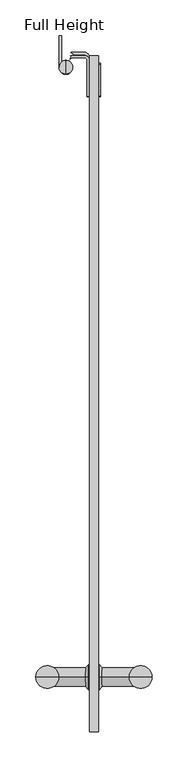
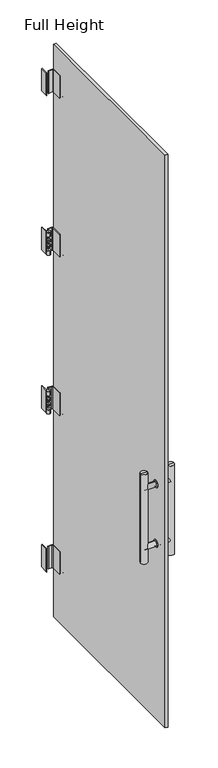
"""IFC4 building model written with IfcOpenShell, lengths in millimetres: plate geometry, Full Height."""

from ifc_helpers import new_model, si_unit, point, frame, frame_2d, origin, place, context, project, spatial, polyline, circle_curve, ellipse_curve, trimmed, segment, composite_curve, outline, extrude, source, transform, mapped, element, save
from ifc_brep_helpers import plane_surface, cylinder_surface, revolved_surface, advanced_brep


def full_height_b93a2087(model_context):
    return source(origin(), model_context, "Body", "SolidModel", [
        advanced_brep(
        [(-420.2684, -888.2634, 901.7), (-420.2684, -888.2634, 927.1), (-432.9684, -888.2634, 927.1), (-432.9684, -888.2634, 901.7), (-420.2684, -888.2634, 896.9), (-420.2684, -888.2634, 931.9), (-418.9984, -888.2634, 896.9), (-418.9984, -888.2634, 931.9), (-415.1884, -888.2634, 901.7), (-415.1884, -888.2634, 927.1), (-361.5309, -888.2634, 901.7), (-361.5309, -888.2634, 927.1), (-361.5309, -888.2634, 914.4), (-491.7059, -888.2634, 901.7), (-491.7059, -888.2634, 927.1), (-491.7059, -888.2634, 914.4), (-438.0484, -888.2634, 901.7), (-438.0484, -888.2634, 927.1), (-434.2384, -888.2634, 896.9), (-434.2384, -888.2634, 931.9), (-432.9684, -888.2634, 896.9), (-432.9684, -888.2634, 931.9)],
        [
            (0, 1, circle_curve(frame((-420.2684, -888.2634, 914.4), z_axis=(-1.0, 0.0, 0.0), x_axis=(0.0, 0.0, 1.0)), 12.7)),
            (1, 2),
            (2, 3, circle_curve(frame((-432.9684, -888.2634, 914.4), z_axis=(1.0, 0.0, 0.0), x_axis=(0.0, 0.0, 1.0)), 12.7)),
            (3, 0),
            (4, 5, circle_curve(frame((-420.2684, -888.2634, 914.4), z_axis=(-1.0, 0.0, 0.0), x_axis=(0.0, 0.0, 1.0)), 17.5)),
            (5, 1),
            (0, 4),
            (6, 7, circle_curve(frame((-418.9984, -888.2634, 914.4), z_axis=(-1.0, 0.0, 0.0), x_axis=(0.0, 0.0, 1.0)), 17.5)),
            (7, 5),
            (4, 6),
            (7, 6, circle_curve(frame((-418.9984, -888.2634, 914.4), z_axis=(-1.0, 0.0, 0.0), x_axis=(0.0, 0.0, 1.0)), 17.5)),
            (4, 5, circle_curve(frame((-420.2684, -888.2634, 914.4), z_axis=(1.0, 0.0, 0.0), x_axis=(0.0, 0.0, 1.0)), 17.5)),
            (8, 9, circle_curve(frame((-415.1884, -888.2634, 914.4), z_axis=(-1.0, 0.0, 0.0), x_axis=(0.0, 0.0, 1.0)), 12.7)),
            (9, 7),
            (6, 8),
            (9, 8, circle_curve(frame((-415.1884, -888.2634, 914.4), z_axis=(-1.0, 0.0, 0.0), x_axis=(0.0, 0.0, 1.0)), 12.7)),
            (10, 11, circle_curve(frame((-361.5309, -888.2634, 914.4), z_axis=(-1.0, 0.0, 0.0), x_axis=(0.0, 0.0, 1.0)), 12.7)),
            (11, 9),
            (8, 10),
            (11, 10, circle_curve(frame((-361.5309, -888.2634, 914.4), z_axis=(-1.0, 0.0, 0.0), x_axis=(0.0, 0.0, 1.0)), 12.7)),
            (12, 10),
            (11, 12),
            (13, 14, circle_curve(frame((-491.7059, -888.2634, 914.4), z_axis=(-1.0, 0.0, 0.0), x_axis=(0.0, 0.0, 1.0)), 12.7)),
            (14, 15),
            (15, 13),
            (14, 13, circle_curve(frame((-491.7059, -888.2634, 914.4), z_axis=(-1.0, 0.0, 0.0), x_axis=(0.0, 0.0, 1.0)), 12.7)),
            (16, 17, circle_curve(frame((-438.0484, -888.2634, 914.4), z_axis=(-1.0, 0.0, 0.0), x_axis=(0.0, 0.0, 1.0)), 12.7)),
            (17, 14),
            (13, 16),
            (17, 16, circle_curve(frame((-438.0484, -888.2634, 914.4), z_axis=(-1.0, 0.0, 0.0), x_axis=(0.0, 0.0, 1.0)), 12.7)),
            (18, 19, circle_curve(frame((-434.2384, -888.2634, 914.4), z_axis=(-1.0, 0.0, 0.0), x_axis=(0.0, 0.0, 1.0)), 17.5)),
            (19, 17),
            (16, 18),
            (19, 18, circle_curve(frame((-434.2384, -888.2634, 914.4), z_axis=(-1.0, 0.0, 0.0), x_axis=(0.0, 0.0, 1.0)), 17.5)),
            (20, 21, circle_curve(frame((-432.9684, -888.2634, 914.4), z_axis=(-1.0, 0.0, 0.0), x_axis=(0.0, 0.0, 1.0)), 17.5)),
            (21, 19),
            (18, 20),
            (21, 20, circle_curve(frame((-432.9684, -888.2634, 914.4), z_axis=(-1.0, 0.0, 0.0), x_axis=(0.0, 0.0, 1.0)), 17.5)),
            (2, 21),
            (20, 3),
            (2, 3, circle_curve(frame((-432.9684, -888.2634, 914.4), z_axis=(-1.0, 0.0, 0.0), x_axis=(0.0, 0.0, 1.0)), 12.7)),
            (1, 0, circle_curve(frame((-420.2684, -888.2634, 914.4), z_axis=(-1.0, 0.0, 0.0), x_axis=(0.0, 0.0, 1.0)), 12.7)),
        ],
        [
            cylinder_surface(frame((-361.5309, -888.2634, 914.4), z_axis=(1.0, 0.0, 0.0), x_axis=(0.0, 0.0, 1.0)), 12.7),
            plane_surface(frame((-420.2684, -888.2634, 914.4), z_axis=(-1.0, 0.0, 0.0), x_axis=(0.0, 0.0, 1.0))),
            cylinder_surface(frame((-361.5309, -888.2634, 914.4), z_axis=(1.0, 0.0, 0.0), x_axis=(0.0, 0.0, 1.0)), 17.5),
            revolved_surface(polyline([(-418.9984, -888.2634, 931.9), (-415.1884, -888.2634, 927.1)]), (-361.5309, -888.2634, 914.4), (1.0, 0.0, 0.0)),
            plane_surface(frame((-361.5309, -888.2634, 914.4), z_axis=(1.0, 0.0, 0.0), x_axis=(0.0, 0.0, 1.0))),
            plane_surface(frame((-491.7059, -888.2634, 914.4), z_axis=(-1.0, 0.0, 0.0), x_axis=(0.0, 0.0, 1.0))),
            revolved_surface(polyline([(-438.0484, -888.2634, 927.1), (-434.2384, -888.2634, 931.9)]), (-361.5309, -888.2634, 914.4), (1.0, 0.0, 0.0)),
            plane_surface(frame((-432.9684, -888.2634, 914.4), z_axis=(1.0, 0.0, 0.0), x_axis=(0.0, 0.0, 1.0))),
        ],
        [
            (0, [[1, 2, 3, 4]]),
            (1, [[5, 6, -1, 7]]),
            (2, [[8, 9, -5, 10]]),
            (2, [[11, -10, 12, -9]]),
            (3, [[13, 14, -8, 15]]),
            (3, [[16, -15, -11, -14]]),
            (0, [[17, 18, -13, 19]]),
            (0, [[20, -19, -16, -18]]),
            (4, [[21, -20, 22]]),
            (5, [[23, 24, 25]]),
            (5, [[26, -25, -24]]),
            (0, [[27, 28, -23, 29]]),
            (0, [[30, -29, -26, -28]]),
            (6, [[31, 32, -27, 33]]),
            (6, [[34, -33, -30, -32]]),
            (2, [[35, 36, -31, 37]]),
            (2, [[38, -37, -34, -36]]),
            (7, [[-3, 39, -35, 40]]),
            (7, [[41, -40, -38, -39]]),
            (0, [[42, -4, -41, -2]]),
            (1, [[-12, -7, -42, -6]]),
            (4, [[-22, -17, -21]]),
        ],
    ),
        advanced_brep(
        [(-361.5309, -888.2634, 1206.5), (-361.5309, -888.2634, 1231.9), (-361.5309, -888.2634, 1219.2), (-420.2684, -888.2634, 1231.9), (-420.2684, -888.2634, 1206.5), (-420.2684, -888.2634, 1201.7), (-420.2684, -888.2634, 1236.7), (-432.9684, -888.2634, 1201.7), (-432.9684, -888.2634, 1236.7), (-432.9684, -888.2634, 1231.9), (-432.9684, -888.2634, 1206.5), (-415.1884, -888.2634, 1231.9), (-415.1884, -888.2634, 1206.5), (-418.9984, -888.2634, 1236.7), (-418.9984, -888.2634, 1201.7), (-434.2384, -888.2634, 1236.7), (-434.2384, -888.2634, 1201.7), (-438.0484, -888.2634, 1231.9), (-438.0484, -888.2634, 1206.5), (-491.7059, -888.2634, 1231.9), (-491.7059, -888.2634, 1206.5), (-491.7059, -888.2634, 1219.2)],
        [
            (0, 1, circle_curve(frame((-361.5309, -888.2634, 1219.2), z_axis=(1.0, 0.0, 0.0), x_axis=(0.0, 0.0, -1.0)), 12.7)),
            (1, 2),
            (2, 0),
            (3, 4, circle_curve(frame((-420.2684, -888.2634, 1219.2), z_axis=(1.0, 0.0, 0.0), x_axis=(0.0, 0.0, -1.0)), 12.7)),
            (4, 5),
            (5, 6, circle_curve(frame((-420.2684, -888.2634, 1219.2), z_axis=(-1.0, 0.0, 0.0), x_axis=(0.0, 0.0, -1.0)), 17.5)),
            (6, 3),
            (7, 8, circle_curve(frame((-432.9684, -888.2634, 1219.2), z_axis=(1.0, 0.0, 0.0), x_axis=(0.0, 0.0, -1.0)), 17.5)),
            (8, 9),
            (9, 10, circle_curve(frame((-432.9684, -888.2634, 1219.2), z_axis=(-1.0, 0.0, 0.0), x_axis=(0.0, 0.0, -1.0)), 12.7)),
            (10, 7),
            (1, 0, circle_curve(frame((-361.5309, -888.2634, 1219.2), z_axis=(1.0, 0.0, 0.0), x_axis=(0.0, 0.0, -1.0)), 12.7)),
            (11, 12, circle_curve(frame((-415.1884, -888.2634, 1219.2), z_axis=(1.0, 0.0, 0.0), x_axis=(0.0, 0.0, -1.0)), 12.7)),
            (12, 0),
            (1, 11),
            (12, 11, circle_curve(frame((-415.1884, -888.2634, 1219.2), z_axis=(1.0, 0.0, 0.0), x_axis=(0.0, 0.0, -1.0)), 12.7)),
            (13, 14, circle_curve(frame((-418.9984, -888.2634, 1219.2), z_axis=(1.0, 0.0, 0.0), x_axis=(0.0, 0.0, -1.0)), 17.5)),
            (14, 12),
            (11, 13),
            (14, 13, circle_curve(frame((-418.9984, -888.2634, 1219.2), z_axis=(1.0, 0.0, 0.0), x_axis=(0.0, 0.0, -1.0)), 17.5)),
            (5, 14),
            (13, 6),
            (5, 6, circle_curve(frame((-420.2684, -888.2634, 1219.2), z_axis=(1.0, 0.0, 0.0), x_axis=(0.0, 0.0, -1.0)), 17.5)),
            (4, 3, circle_curve(frame((-420.2684, -888.2634, 1219.2), z_axis=(1.0, 0.0, 0.0), x_axis=(0.0, 0.0, -1.0)), 12.7)),
            (9, 10, circle_curve(frame((-432.9684, -888.2634, 1219.2), z_axis=(1.0, 0.0, 0.0), x_axis=(0.0, 0.0, -1.0)), 12.7)),
            (10, 4),
            (3, 9),
            (8, 7, circle_curve(frame((-432.9684, -888.2634, 1219.2), z_axis=(1.0, 0.0, 0.0), x_axis=(0.0, 0.0, -1.0)), 17.5)),
            (15, 16, circle_curve(frame((-434.2384, -888.2634, 1219.2), z_axis=(1.0, 0.0, 0.0), x_axis=(0.0, 0.0, -1.0)), 17.5)),
            (16, 7),
            (8, 15),
            (16, 15, circle_curve(frame((-434.2384, -888.2634, 1219.2), z_axis=(1.0, 0.0, 0.0), x_axis=(0.0, 0.0, -1.0)), 17.5)),
            (17, 18, circle_curve(frame((-438.0484, -888.2634, 1219.2), z_axis=(1.0, 0.0, 0.0), x_axis=(0.0, 0.0, -1.0)), 12.7)),
            (18, 16),
            (15, 17),
            (18, 17, circle_curve(frame((-438.0484, -888.2634, 1219.2), z_axis=(1.0, 0.0, 0.0), x_axis=(0.0, 0.0, -1.0)), 12.7)),
            (19, 20, circle_curve(frame((-491.7059, -888.2634, 1219.2), z_axis=(1.0, 0.0, 0.0), x_axis=(0.0, 0.0, -1.0)), 12.7)),
            (20, 18),
            (17, 19),
            (20, 19, circle_curve(frame((-491.7059, -888.2634, 1219.2), z_axis=(1.0, 0.0, 0.0), x_axis=(0.0, 0.0, -1.0)), 12.7)),
            (21, 20),
            (19, 21),
        ],
        [
            plane_surface(frame((-361.5309, -888.2634, 1219.2), z_axis=(1.0, 0.0, 0.0), x_axis=(0.0, 0.0, -1.0))),
            plane_surface(frame((-420.2684, -888.2634, 1219.2), z_axis=(-1.0, 0.0, 0.0), x_axis=(0.0, 0.0, -1.0))),
            plane_surface(frame((-432.9684, -888.2634, 1219.2), z_axis=(1.0, 0.0, 0.0), x_axis=(0.0, 0.0, -1.0))),
            cylinder_surface(frame((-361.5309, -888.2634, 1219.2), z_axis=(-1.0, 0.0, 0.0), x_axis=(0.0, 0.0, -1.0)), 12.7),
            revolved_surface(polyline([(-415.1884, -888.2634, 1206.5), (-418.9984, -888.2634, 1201.7)]), (-361.5309, -888.2634, 1219.2), (-1.0, 0.0, 0.0)),
            cylinder_surface(frame((-361.5309, -888.2634, 1219.2), z_axis=(-1.0, 0.0, 0.0), x_axis=(0.0, 0.0, -1.0)), 17.5),
            revolved_surface(polyline([(-434.2384, -888.2634, 1201.7), (-438.0484, -888.2634, 1206.5)]), (-361.5309, -888.2634, 1219.2), (-1.0, 0.0, 0.0)),
            plane_surface(frame((-491.7059, -888.2634, 1219.2), z_axis=(-1.0, 0.0, 0.0), x_axis=(0.0, 0.0, -1.0))),
        ],
        [
            (0, [[1, 2, 3]]),
            (1, [[4, 5, 6, 7]]),
            (2, [[8, 9, 10, 11]]),
            (0, [[12, -3, -2]]),
            (3, [[13, 14, -12, 15]]),
            (3, [[16, -15, -1, -14]]),
            (4, [[17, 18, -13, 19]]),
            (4, [[20, -19, -16, -18]]),
            (5, [[-6, 21, -17, 22]]),
            (5, [[23, -22, -20, -21]]),
            (1, [[24, -7, -23, -5]]),
            (3, [[25, 26, -4, 27]]),
            (3, [[-10, -27, -24, -26]]),
            (2, [[28, -11, -25, -9]]),
            (5, [[29, 30, -28, 31]]),
            (5, [[32, -31, -8, -30]]),
            (6, [[33, 34, -29, 35]]),
            (6, [[36, -35, -32, -34]]),
            (3, [[37, 38, -33, 39]]),
            (3, [[40, -39, -36, -38]]),
            (7, [[41, -37, 42]]),
            (7, [[-42, -40, -41]]),
        ],
    ),
        advanced_brep(
        [(-507.5809, -888.2634, 1295.4), (-475.8309, -888.2634, 1295.4), (-491.7059, -888.2634, 1295.4), (-491.7059, -888.2634, 838.2), (-475.8309, -888.2634, 838.2), (-507.5809, -888.2634, 838.2)],
        [
            (0, 1, circle_curve(frame((-491.7059, -888.2634, 1295.4), z_axis=(0.0, 0.0, 1.0), x_axis=(1.0, 0.0, 0.0)), 15.875)),
            (1, 2),
            (2, 0),
            (3, 4),
            (4, 5, circle_curve(frame((-491.7059, -888.2634, 838.2), z_axis=(0.0, 0.0, -1.0), x_axis=(1.0, 0.0, 0.0)), 15.875)),
            (5, 3),
            (1, 0, circle_curve(frame((-491.7059, -888.2634, 1295.4), z_axis=(0.0, 0.0, 1.0), x_axis=(1.0, 0.0, 0.0)), 15.875)),
            (4, 1),
            (0, 5),
            (4, 5, circle_curve(frame((-491.7059, -888.2634, 838.2), z_axis=(0.0, 0.0, 1.0), x_axis=(1.0, 0.0, 0.0)), 15.875)),
        ],
        [
            plane_surface(frame((-491.7059, -888.2634, 1295.4), z_axis=(0.0, 0.0, 1.0), x_axis=(1.0, 0.0, 0.0))),
            plane_surface(frame((-491.7059, -888.2634, 838.2), z_axis=(0.0, 0.0, -1.0), x_axis=(1.0, 0.0, 0.0))),
            cylinder_surface(frame((-491.7059, -888.2634, 838.2), z_axis=(0.0, 0.0, -1.0), x_axis=(1.0, 0.0, 0.0)), 15.875),
        ],
        [
            (0, [[1, 2, 3]]),
            (1, [[4, 5, 6]]),
            (0, [[7, -3, -2]]),
            (2, [[-5, 8, -1, 9]]),
            (2, [[10, -9, -7, -8]]),
            (1, [[-6, -10, -4]]),
        ],
    ),
        advanced_brep(
        [(-377.4059, -888.2634, 838.2), (-345.6559, -888.2634, 838.2), (-345.6559, -888.2634, 1295.4), (-377.4059, -888.2634, 1295.4), (-361.5309, -888.2634, 1295.4), (-361.5309, -888.2634, 838.2)],
        [
            (0, 1, circle_curve(frame((-361.5309, -888.2634, 838.2), z_axis=(0.0, 0.0, 1.0), x_axis=(1.0, 0.0, 0.0)), 15.875)),
            (1, 2),
            (2, 3, circle_curve(frame((-361.5309, -888.2634, 1295.4), z_axis=(0.0, 0.0, -1.0), x_axis=(1.0, 0.0, 0.0)), 15.875)),
            (3, 0),
            (2, 4),
            (4, 3),
            (2, 3, circle_curve(frame((-361.5309, -888.2634, 1295.4), z_axis=(0.0, 0.0, 1.0), x_axis=(1.0, 0.0, 0.0)), 15.875)),
            (1, 0, circle_curve(frame((-361.5309, -888.2634, 838.2), z_axis=(0.0, 0.0, 1.0), x_axis=(1.0, 0.0, 0.0)), 15.875)),
            (5, 1),
            (0, 5),
        ],
        [
            cylinder_surface(frame((-361.5309, -888.2634, 838.2), z_axis=(0.0, 0.0, -1.0), x_axis=(1.0, 0.0, 0.0)), 15.875),
            plane_surface(frame((-361.5309, -888.2634, 1295.4), z_axis=(0.0, 0.0, 1.0), x_axis=(1.0, 0.0, 0.0))),
            plane_surface(frame((-361.5309, -888.2634, 838.2), z_axis=(0.0, 0.0, -1.0), x_axis=(1.0, 0.0, 0.0))),
        ],
        [
            (0, [[1, 2, 3, 4]]),
            (1, [[-3, 5, 6]]),
            (1, [[7, -6, -5]]),
            (0, [[8, -4, -7, -2]]),
            (2, [[9, -1, 10]]),
            (2, [[-10, -8, -9]]),
        ],
    ),
        extrude(outline(composite_curve([segment(polyline([(-81.3054, 1081.6166667), (-81.3054, 1193.3766667)]), True, "CONTINUOUS"), segment(trimmed(circle_curve(frame_2d((-80.0354, 1193.3766667)), 1.27), [point((-81.3054, 1193.3766667))], [point((-80.0354, 1194.6466667))], False, "CARTESIAN"), True, "CONTINUOUS"), segment(polyline([(-80.0354, 1194.6466667), (-36.576, 1194.6466667)]), True, "CONTINUOUS"), segment(trimmed(circle_curve(frame_2d((-36.576, 1193.3766667)), 1.27), [point((-36.576, 1194.6466667))], [point((-35.306, 1193.3766667))], False, "CARTESIAN"), True, "CONTINUOUS"), segment(polyline([(-35.306, 1193.3766667), (-35.306, 1081.6166667)]), True, "CONTINUOUS"), segment(trimmed(circle_curve(frame_2d((-36.576, 1081.6166667)), 1.27), [point((-35.306, 1081.6166667))], [point((-36.576, 1080.3466667))], False, "CARTESIAN"), True, "CONTINUOUS"), segment(polyline([(-36.576, 1080.3466667), (-80.0354, 1080.3466667)]), True, "CONTINUOUS"), segment(trimmed(circle_curve(frame_2d((-80.0354, 1081.6166667)), 1.27), [point((-80.0354, 1080.3466667))], [point((-81.3054, 1081.6166667))], False, "CARTESIAN"), True, "CONTINUOUS")], self_intersect=False)), frame((-420.2684, 0.0, 0.0), z_axis=(1.0, 0.0, 0.0), x_axis=(0.0, 1.0, 0.0)), (0.0, 0.0, 1.0), 3.048),
        extrude(outline(composite_curve([segment(trimmed(circle_curve(frame_2d((-80.0354, 2007.0233333)), 1.27), [point((-81.3054, 2007.0233333))], [point((-80.0354, 2008.2933333))], False, "CARTESIAN"), True, "CONTINUOUS"), segment(polyline([(-80.0354, 2008.2933333), (-36.576, 2008.2933333)]), True, "CONTINUOUS"), segment(trimmed(circle_curve(frame_2d((-36.576, 2007.0233333)), 1.27), [point((-36.576, 2008.2933333))], [point((-35.306, 2007.0233333))], False, "CARTESIAN"), True, "CONTINUOUS"), segment(polyline([(-35.306, 2007.0233333), (-35.306, 1895.2633333)]), True, "CONTINUOUS"), segment(trimmed(circle_curve(frame_2d((-36.576, 1895.2633333)), 1.27), [point((-35.306, 1895.2633333))], [point((-36.576, 1893.9933333))], False, "CARTESIAN"), True, "CONTINUOUS"), segment(polyline([(-36.576, 1893.9933333), (-80.0354, 1893.9933333)]), True, "CONTINUOUS"), segment(trimmed(circle_curve(frame_2d((-80.0354, 1895.2633333)), 1.27), [point((-80.0354, 1893.9933333))], [point((-81.3054, 1895.2633333))], False, "CARTESIAN"), True, "CONTINUOUS"), segment(polyline([(-81.3054, 1895.2633333), (-81.3054, 2007.0233333)]), True, "CONTINUOUS")], self_intersect=False)), frame((-420.2684, 0.0, 0.0), z_axis=(1.0, 0.0, 0.0), x_axis=(0.0, 1.0, 0.0)), (0.0, 0.0, 1.0), 3.048),
        extrude(outline(composite_curve([segment(trimmed(circle_curve(frame_2d((-463.55, -27.8384)), 9.525), [point((-455.18017, -23.2918))], [point((-458.3040544, -19.8882))], True, "CARTESIAN"), True, "CONTINUOUS"), segment(polyline([(-458.3040544, -19.8882), (-439.801, -19.8882)]), True, "CONTINUOUS"), segment(trimmed(circle_curve(frame_2d((-439.801, -26.7208)), 6.8326), [point((-439.801, -19.8882))], [point((-432.9684, -26.7208))], False, "CARTESIAN"), True, "CONTINUOUS"), segment(polyline([(-432.9684, -26.7208), (-432.9684, -81.3054), (-436.372, -81.3054), (-436.372, -26.7208)]), True, "CONTINUOUS"), segment(trimmed(circle_curve(frame_2d((-439.801, -26.7208)), 3.429), [point((-436.372, -26.7208))], [point((-439.801, -23.2918))], True, "CARTESIAN"), True, "CONTINUOUS"), segment(polyline([(-439.801, -23.2918), (-455.18017, -23.2918)]), True, "CONTINUOUS")], self_intersect=False)), frame((0.0, 0.0, 1080.3466667), z_axis=(0.0, 0.0, 1.0), x_axis=(1.0, 0.0, 0.0)), (0.0, 0.0, 1.0), 114.3),
        extrude(outline(composite_curve([segment(polyline([(-436.372, -81.3054), (-436.372, -26.7208)]), True, "CONTINUOUS"), segment(trimmed(circle_curve(frame_2d((-439.801, -26.7208)), 3.429), [point((-436.372, -26.7208))], [point((-439.801, -23.2918))], True, "CARTESIAN"), True, "CONTINUOUS"), segment(polyline([(-439.801, -23.2918), (-455.18017, -23.2918)]), True, "CONTINUOUS"), segment(trimmed(circle_curve(frame_2d((-463.55, -27.8384)), 9.525), [point((-455.18017, -23.2918))], [point((-458.3040544, -19.8882))], True, "CARTESIAN"), True, "CONTINUOUS"), segment(polyline([(-458.3040544, -19.8882), (-439.801, -19.8882)]), True, "CONTINUOUS"), segment(trimmed(circle_curve(frame_2d((-439.801, -26.7208)), 6.8326), [point((-439.801, -19.8882))], [point((-432.9684, -26.7208))], False, "CARTESIAN"), True, "CONTINUOUS"), segment(polyline([(-432.9684, -26.7208), (-432.9684, -81.3054), (-436.372, -81.3054)]), True, "CONTINUOUS")], self_intersect=False)), frame((0.0, 0.0, 1893.9933333), z_axis=(0.0, 0.0, 1.0), x_axis=(1.0, 0.0, 0.0)), (0.0, 0.0, 1.0), 114.3),
        extrude(outline(composite_curve([segment(polyline([(-458.8919393, -24.6634), (-439.0644, -24.6634)]), True, "CONTINUOUS"), segment(trimmed(circle_curve(frame_2d((-439.0644, -30.7594)), 6.096), [point((-439.0644, -24.6634))], [point((-432.9684, -30.7594))], False, "CARTESIAN"), True, "CONTINUOUS"), segment(polyline([(-432.9684, -30.7594), (-432.9684, -81.3054), (-436.0164, -81.3054), (-436.0164, -30.7594)]), True, "CONTINUOUS"), segment(trimmed(circle_curve(frame_2d((-439.0644, -30.7594)), 3.048), [point((-436.0164, -30.7594))], [point((-439.0644, -27.7114))], True, "CARTESIAN"), True, "CONTINUOUS"), segment(polyline([(-439.0644, -27.7114), (-456.9005021, -27.7114)]), True, "CONTINUOUS"), segment(trimmed(circle_curve(frame_2d((-456.9005021, -31.5214)), 3.81), [point((-456.9005021, -27.7114))], [point((-460.0618386, -29.3948884))], True, "CARTESIAN"), True, "CONTINUOUS"), segment(trimmed(circle_curve(frame_2d((-465.963, -25.4254)), 7.112), [point((-460.0618386, -29.3948884))], [point((-458.8919393, -24.6634))], True, "CARTESIAN"), True, "CONTINUOUS")], self_intersect=False)), frame((0.0, 0.0, 2707.64), z_axis=(0.0, 0.0, 1.0), x_axis=(1.0, 0.0, 0.0)), (0.0, 0.0, 1.0), 114.3),
        extrude(outline(composite_curve([segment(trimmed(circle_curve(frame_2d((-36.576, 379.73)), 1.27), [point((-36.576, 381.0))], [point((-35.306, 379.73))], False, "CARTESIAN"), True, "CONTINUOUS"), segment(polyline([(-35.306, 379.73), (-35.306, 267.97)]), True, "CONTINUOUS"), segment(trimmed(circle_curve(frame_2d((-36.576, 267.97)), 1.27), [point((-35.306, 267.97))], [point((-36.576, 266.7))], False, "CARTESIAN"), True, "CONTINUOUS"), segment(polyline([(-36.576, 266.7), (-80.0354, 266.7)]), True, "CONTINUOUS"), segment(trimmed(circle_curve(frame_2d((-80.0354, 267.97)), 1.27), [point((-80.0354, 266.7))], [point((-81.3054, 267.97))], False, "CARTESIAN"), True, "CONTINUOUS"), segment(polyline([(-81.3054, 267.97), (-81.3054, 379.73)]), True, "CONTINUOUS"), segment(trimmed(circle_curve(frame_2d((-80.0354, 379.73)), 1.27), [point((-81.3054, 379.73))], [point((-80.0354, 381.0))], False, "CARTESIAN"), True, "CONTINUOUS"), segment(polyline([(-80.0354, 381.0), (-36.576, 381.0)]), True, "CONTINUOUS")], self_intersect=False)), frame((-420.2684, 0.0, 0.0), z_axis=(1.0, 0.0, 0.0), x_axis=(0.0, 1.0, 0.0)), (0.0, 0.0, 1.0), 3.048),
        extrude(outline(composite_curve([segment(trimmed(circle_curve(frame_2d((-36.576, 2820.67)), 1.27), [point((-36.576, 2821.94))], [point((-35.306, 2820.67))], False, "CARTESIAN"), True, "CONTINUOUS"), segment(polyline([(-35.306, 2820.67), (-35.306, 2708.91)]), True, "CONTINUOUS"), segment(trimmed(circle_curve(frame_2d((-36.576, 2708.91)), 1.27), [point((-35.306, 2708.91))], [point((-36.576, 2707.64))], False, "CARTESIAN"), True, "CONTINUOUS"), segment(polyline([(-36.576, 2707.64), (-80.0354, 2707.64)]), True, "CONTINUOUS"), segment(trimmed(circle_curve(frame_2d((-80.0354, 2708.91)), 1.27), [point((-80.0354, 2707.64))], [point((-81.3054, 2708.91))], False, "CARTESIAN"), True, "CONTINUOUS"), segment(polyline([(-81.3054, 2708.91), (-81.3054, 2820.67)]), True, "CONTINUOUS"), segment(trimmed(circle_curve(frame_2d((-80.0354, 2820.67)), 1.27), [point((-81.3054, 2820.67))], [point((-80.0354, 2821.94))], False, "CARTESIAN"), True, "CONTINUOUS"), segment(polyline([(-80.0354, 2821.94), (-36.576, 2821.94)]), True, "CONTINUOUS")], self_intersect=False)), frame((-420.2684, 0.0, 0.0), z_axis=(1.0, 0.0, 0.0), x_axis=(0.0, 1.0, 0.0)), (0.0, 0.0, 1.0), 3.048),
        extrude(outline(composite_curve([segment(trimmed(circle_curve(frame_2d((-439.801, -26.7208)), 6.8326), [point((-439.801, -19.8882))], [point((-432.9684, -26.7208))], False, "CARTESIAN"), True, "CONTINUOUS"), segment(polyline([(-432.9684, -26.7208), (-432.9684, -81.3054), (-436.372, -81.3054), (-436.372, -26.7208)]), True, "CONTINUOUS"), segment(trimmed(circle_curve(frame_2d((-439.801, -26.7208)), 3.429), [point((-436.372, -26.7208))], [point((-439.801, -23.2918))], True, "CARTESIAN"), True, "CONTINUOUS"), segment(polyline([(-439.801, -23.2918), (-455.18017, -23.2918)]), True, "CONTINUOUS"), segment(trimmed(circle_curve(frame_2d((-463.55, -27.8384)), 9.525), [point((-455.18017, -23.2918))], [point((-458.3040544, -19.8882))], True, "CARTESIAN"), True, "CONTINUOUS"), segment(polyline([(-458.3040544, -19.8882), (-439.801, -19.8882)]), True, "CONTINUOUS")], self_intersect=False)), frame((0.0, 0.0, 266.7), z_axis=(0.0, 0.0, 1.0), x_axis=(1.0, 0.0, 0.0)), (0.0, 0.0, 1.0), 114.3),
        extrude(outline(polyline([(-432.9684, -964.4634), (-432.9684, -24.6634), (-420.2684, -24.6634), (-420.2684, -964.4634), (-432.9684, -964.4634)])), frame((0.0, 0.0, 12.7), z_axis=(0.0, 0.0, 1.0), x_axis=(1.0, 0.0, 0.0)), (0.0, 0.0, 1.0), 2936.24),
        advanced_brep(
        [(-475.361, -40.4876, 2008.2933333), (-471.9574, -33.1900602, 2008.2933333), (-471.9574, 2.794, 2008.2933333), (-475.361, 2.794, 2008.2933333), (-475.361, -40.4876, 1893.9933333), (-475.361, 2.794, 1893.9933333), (-471.9574, 2.794, 1893.9933333), (-471.9574, -33.1900602, 1893.9933333)],
        [
            (0, 1, circle_curve(frame((-465.836, -40.4876, 2008.2933333), z_axis=(0.0, 0.0, -1.0), x_axis=(-1.0, 0.0, 0.0)), 9.525)),
            (1, 2),
            (2, 3),
            (3, 0),
            (4, 5),
            (5, 6),
            (6, 7),
            (7, 4, circle_curve(frame((-465.836, -40.4876, 1893.9933333), z_axis=(0.0, 0.0, 1.0), x_axis=(-1.0, 0.0, 0.0)), 9.525)),
            (0, 4),
            (7, 1),
            (6, 2),
            (5, 3),
        ],
        [
            plane_surface(frame((-475.361, -40.4876, 2008.2933333), z_axis=(0.0, 0.0, 1.0), x_axis=(0.0, 1.0, 0.0))),
            plane_surface(frame((-475.361, -40.4876, 1893.9933333), z_axis=(0.0, 0.0, -1.0), x_axis=(0.0, -1.0, 0.0))),
            revolved_surface(polyline([(-475.361, -40.4876, 1893.9933333), (-475.361, -40.4876, 2008.2933333)]), (-465.836, -40.4876, 1893.9933333), (0.0, 0.0, -1.0)),
            plane_surface(frame((-471.9574, -33.1900602, 2008.2933333), z_axis=(1.0, 0.0, 0.0), x_axis=(0.0, 0.0, -1.0))),
            plane_surface(frame((-471.9574, 2.794, 2008.2933333), z_axis=(0.0, 1.0, 0.0), x_axis=(0.0, 0.0, -1.0))),
            plane_surface(frame((-475.361, 2.794, 2008.2933333), z_axis=(-1.0, 0.0, 0.0), x_axis=(0.0, 0.0, -1.0))),
        ],
        [
            (0, [[1, 2, 3, 4]]),
            (1, [[5, 6, 7, 8]]),
            (2, [[-1, 9, -8, 10]]),
            (3, [[-2, -10, -7, 11]]),
            (4, [[-3, -11, -6, 12]]),
            (5, [[-4, -12, -5, -9]]),
        ],
    ),
        extrude(outline(composite_curve([segment(trimmed(circle_curve(frame_2d((-40.4876, -465.836)), 9.525), [point((-40.4876, -475.361))], [point((-33.1900602, -471.9574))], True, "CARTESIAN"), True, "CONTINUOUS"), segment(polyline([(-33.1900602, -471.9574), (2.794, -471.9574), (2.794, -475.361), (-40.4876, -475.361)]), True, "CONTINUOUS")], self_intersect=False)), frame((0.0, 0.0, 1194.6466667), z_axis=(0.0, 0.0, -1.0), x_axis=(0.0, 1.0, 0.0)), (0.0, 0.0, 1.0), 114.3),
        advanced_brep(
        [(-475.361, 2.794, 2821.94), (-475.361, -40.4876, 2821.94), (-471.9574, -33.1900602, 2821.94), (-471.9574, 2.794, 2821.94), (-475.361, 2.794, 2707.64), (-471.9574, 2.794, 2707.64), (-471.9574, -33.1900602, 2707.64), (-475.361, -40.4876, 2707.64)],
        [
            (0, 1),
            (1, 2, circle_curve(frame((-465.836, -40.4876, 2821.94), z_axis=(0.0, 0.0, -1.0), x_axis=(-1.0, 0.0, 0.0)), 9.525)),
            (2, 3),
            (3, 0),
            (4, 5),
            (5, 6),
            (6, 7, circle_curve(frame((-465.836, -40.4876, 2707.64), z_axis=(0.0, 0.0, 1.0), x_axis=(-1.0, 0.0, 0.0)), 9.525)),
            (7, 4),
            (0, 4),
            (7, 1),
            (6, 2),
            (5, 3),
        ],
        [
            plane_surface(frame((-475.361, 2.794, 2821.94), z_axis=(0.0, 0.0, 1.0), x_axis=(0.0, -1.0, 0.0))),
            plane_surface(frame((-475.361, 2.794, 2707.64), z_axis=(0.0, 0.0, -1.0), x_axis=(0.0, 1.0, 0.0))),
            plane_surface(frame((-475.361, 2.794, 2821.94), z_axis=(-1.0, 0.0, 0.0), x_axis=(0.0, 0.0, -1.0))),
            revolved_surface(polyline([(-475.361, -40.4876, 2707.64), (-475.361, -40.4876, 2821.94)]), (-465.836, -40.4876, 2707.64), (0.0, 0.0, -1.0)),
            plane_surface(frame((-471.9574, -33.1900602, 2821.94), z_axis=(1.0, 0.0, 0.0), x_axis=(0.0, 0.0, -1.0))),
            plane_surface(frame((-471.9574, 2.794, 2821.94), z_axis=(0.0, 1.0, 0.0), x_axis=(0.0, 0.0, -1.0))),
        ],
        [
            (0, [[1, 2, 3, 4]]),
            (1, [[5, 6, 7, 8]]),
            (2, [[-1, 9, -8, 10]]),
            (3, [[-2, -10, -7, 11]]),
            (4, [[-3, -11, -6, 12]]),
            (5, [[-4, -12, -5, -9]]),
        ],
    ),
        extrude(outline(composite_curve([segment(polyline([(-475.361, -40.4876), (-475.361, 2.794), (-471.9574, 2.794), (-471.9574, -33.1900602)]), True, "CONTINUOUS"), segment(trimmed(circle_curve(frame_2d((-465.836, -40.4876)), 9.525), [point((-471.9574, -33.1900602))], [point((-475.361, -40.4876))], True, "CARTESIAN"), True, "CONTINUOUS")], self_intersect=False)), frame((0.0, 0.0, 266.7), z_axis=(0.0, 0.0, 1.0), x_axis=(1.0, 0.0, 0.0)), (0.0, 0.0, 1.0), 114.3),
        advanced_brep(
        [(-465.836, -40.4876, 1987.9733333), (-465.836, -50.0126, 1987.9733333), (-465.836, -30.9626, 1987.9733333), (-465.836, -30.9626, 2008.2933333), (-465.836, -50.0126, 2008.2933333), (-465.836, -40.4876, 2008.2933333)],
        [
            (0, 1),
            (1, 2, circle_curve(frame((-465.836, -40.4876, 1987.9733333), z_axis=(0.0, 0.0, -1.0), x_axis=(0.0, -1.0, 0.0)), 9.525)),
            (2, 0),
            (2, 1, circle_curve(frame((-465.836, -40.4876, 1987.9733333), z_axis=(0.0, 0.0, -1.0), x_axis=(0.0, -1.0, 0.0)), 9.525)),
            (3, 4, circle_curve(frame((-465.836, -40.4876, 2008.2933333), z_axis=(0.0, 0.0, 1.0), x_axis=(0.0, -1.0, 0.0)), 9.525)),
            (4, 5),
            (5, 3),
            (4, 3, circle_curve(frame((-465.836, -40.4876, 2008.2933333), z_axis=(0.0, 0.0, 1.0), x_axis=(0.0, -1.0, 0.0)), 9.525)),
            (1, 4),
            (3, 2),
        ],
        [
            plane_surface(frame((-465.836, -40.4876, 1987.9733333), z_axis=(0.0, 0.0, -1.0), x_axis=(0.0, -1.0, 0.0))),
            plane_surface(frame((-465.836, -40.4876, 2008.2933333), z_axis=(0.0, 0.0, 1.0), x_axis=(0.0, -1.0, 0.0))),
            cylinder_surface(frame((-465.836, -40.4876, 1830.4933333), z_axis=(0.0, 0.0, -1.0), x_axis=(0.0, -1.0, 0.0)), 9.525),
        ],
        [
            (0, [[1, 2, 3]]),
            (0, [[-3, 4, -1]]),
            (1, [[5, 6, 7]]),
            (1, [[8, -7, -6]]),
            (2, [[-2, 9, -5, 10]]),
            (2, [[-4, -10, -8, -9]]),
        ],
    ),
        advanced_brep(
        [(-465.836, -30.9626, 1961.8113333), (-465.836, -50.0126, 1961.8113333), (-465.836, -50.0126, 1967.1453333), (-465.836, -30.9626, 1967.1453333), (-465.836, -40.4876, 1961.3033333), (-465.836, -49.5046, 1961.3033333), (-465.836, -31.4706, 1961.3033333), (-465.836, -31.4706, 1967.6533333), (-465.836, -49.5046, 1967.6533333), (-465.836, -40.4876, 1967.6533333)],
        [
            (0, 1, circle_curve(frame((-465.836, -40.4876, 1961.8113333), z_axis=(0.0, 0.0, 1.0), x_axis=(0.0, -1.0, 0.0)), 9.525)),
            (1, 2),
            (2, 3, circle_curve(frame((-465.836, -40.4876, 1967.1453333), z_axis=(0.0, 0.0, -1.0), x_axis=(0.0, -1.0, 0.0)), 9.525)),
            (3, 0),
            (1, 0, circle_curve(frame((-465.836, -40.4876, 1961.8113333), z_axis=(0.0, 0.0, 1.0), x_axis=(0.0, -1.0, 0.0)), 9.525)),
            (3, 2, circle_curve(frame((-465.836, -40.4876, 1967.1453333), z_axis=(0.0, 0.0, -1.0), x_axis=(0.0, -1.0, 0.0)), 9.525)),
            (4, 5),
            (5, 6, circle_curve(frame((-465.836, -40.4876, 1961.3033333), z_axis=(0.0, 0.0, -1.0), x_axis=(0.0, -1.0, 0.0)), 9.017)),
            (6, 4),
            (6, 5, circle_curve(frame((-465.836, -40.4876, 1961.3033333), z_axis=(0.0, 0.0, -1.0), x_axis=(0.0, -1.0, 0.0)), 9.017)),
            (7, 8, circle_curve(frame((-465.836, -40.4876, 1967.6533333), z_axis=(0.0, 0.0, 1.0), x_axis=(0.0, -1.0, 0.0)), 9.017)),
            (8, 9),
            (9, 7),
            (8, 7, circle_curve(frame((-465.836, -40.4876, 1967.6533333), z_axis=(0.0, 0.0, 1.0), x_axis=(0.0, -1.0, 0.0)), 9.017)),
            (2, 8, circle_curve(frame((-465.836, -49.5046, 1967.1453333), z_axis=(-1.0, 0.0, 0.0), x_axis=(0.0, 1.0, 0.0)), 0.508)),
            (7, 3, circle_curve(frame((-465.836, -31.4706, 1967.1453333), z_axis=(-1.0, 0.0, 0.0), x_axis=(0.0, -1.0, 0.0)), 0.508)),
            (5, 1, circle_curve(frame((-465.836, -49.5046, 1961.8113333), z_axis=(-1.0, 0.0, 0.0), x_axis=(0.0, 1.0, 0.0)), 0.508)),
            (0, 6, circle_curve(frame((-465.836, -31.4706, 1961.8113333), z_axis=(-1.0, 0.0, 0.0), x_axis=(0.0, -1.0, 0.0)), 0.508)),
        ],
        [
            cylinder_surface(frame((-465.836, -40.4876, 1830.4933333), z_axis=(0.0, 0.0, -1.0), x_axis=(0.0, -1.0, 0.0)), 9.525),
            plane_surface(frame((-465.836, -40.4876, 1961.3033333), z_axis=(0.0, 0.0, -1.0), x_axis=(0.0, -1.0, 0.0))),
            plane_surface(frame((-465.836, -40.4876, 1967.6533333), z_axis=(0.0, 0.0, 1.0), x_axis=(0.0, -1.0, 0.0))),
            revolved_surface(trimmed(ellipse_curve(frame((-465.836, -49.5046, 1967.1453333), z_axis=(1.0, 0.0, 0.0), x_axis=(0.0, 1.0, 0.0)), 0.508, 0.508), [point((-465.836, -49.5046, 1967.6533333))], [point((-465.836, -50.0126, 1967.1453333))], True, "CARTESIAN"), (-465.836, -40.4876, 1830.4933333), (0.0, 0.0, -1.0)),
            revolved_surface(trimmed(ellipse_curve(frame((-465.836, -49.5046, 1961.8113333), z_axis=(1.0, 0.0, 0.0), x_axis=(0.0, 1.0, 0.0)), 0.508, 0.508), [point((-465.836, -50.0126, 1961.8113333))], [point((-465.836, -49.5046, 1961.3033333))], True, "CARTESIAN"), (-465.836, -40.4876, 1830.4933333), (0.0, 0.0, -1.0)),
        ],
        [
            (0, [[1, 2, 3, 4]]),
            (0, [[5, -4, 6, -2]]),
            (1, [[7, 8, 9]]),
            (1, [[-9, 10, -7]]),
            (2, [[11, 12, 13]]),
            (2, [[14, -13, -12]]),
            (3, [[-3, 15, -11, 16]]),
            (3, [[-6, -16, -14, -15]]),
            (4, [[-8, 17, -1, 18]]),
            (4, [[-10, -18, -5, -17]]),
        ],
    ),
        advanced_brep(
        [(-465.836, -30.9626, 1935.1413333), (-465.836, -50.0126, 1935.1413333), (-465.836, -50.0126, 1940.4753333), (-465.836, -30.9626, 1940.4753333), (-465.836, -40.4876, 1934.6333333), (-465.836, -49.5046, 1934.6333333), (-465.836, -31.4706, 1934.6333333), (-465.836, -31.4706, 1940.9833333), (-465.836, -49.5046, 1940.9833333), (-465.836, -40.4876, 1940.9833333)],
        [
            (0, 1, circle_curve(frame((-465.836, -40.4876, 1935.1413333), z_axis=(0.0, 0.0, 1.0), x_axis=(0.0, -1.0, 0.0)), 9.525)),
            (1, 2),
            (2, 3, circle_curve(frame((-465.836, -40.4876, 1940.4753333), z_axis=(0.0, 0.0, -1.0), x_axis=(0.0, -1.0, 0.0)), 9.525)),
            (3, 0),
            (1, 0, circle_curve(frame((-465.836, -40.4876, 1935.1413333), z_axis=(0.0, 0.0, 1.0), x_axis=(0.0, -1.0, 0.0)), 9.525)),
            (3, 2, circle_curve(frame((-465.836, -40.4876, 1940.4753333), z_axis=(0.0, 0.0, -1.0), x_axis=(0.0, -1.0, 0.0)), 9.525)),
            (4, 5),
            (5, 6, circle_curve(frame((-465.836, -40.4876, 1934.6333333), z_axis=(0.0, 0.0, -1.0), x_axis=(0.0, -1.0, 0.0)), 9.017)),
            (6, 4),
            (6, 5, circle_curve(frame((-465.836, -40.4876, 1934.6333333), z_axis=(0.0, 0.0, -1.0), x_axis=(0.0, -1.0, 0.0)), 9.017)),
            (7, 8, circle_curve(frame((-465.836, -40.4876, 1940.9833333), z_axis=(0.0, 0.0, 1.0), x_axis=(0.0, -1.0, 0.0)), 9.017)),
            (8, 9),
            (9, 7),
            (8, 7, circle_curve(frame((-465.836, -40.4876, 1940.9833333), z_axis=(0.0, 0.0, 1.0), x_axis=(0.0, -1.0, 0.0)), 9.017)),
            (2, 8, circle_curve(frame((-465.836, -49.5046, 1940.4753333), z_axis=(-1.0, 0.0, 0.0), x_axis=(0.0, 1.0, 0.0)), 0.508)),
            (7, 3, circle_curve(frame((-465.836, -31.4706, 1940.4753333), z_axis=(-1.0, 0.0, 0.0), x_axis=(0.0, -1.0, 0.0)), 0.508)),
            (5, 1, circle_curve(frame((-465.836, -49.5046, 1935.1413333), z_axis=(-1.0, 0.0, 0.0), x_axis=(0.0, 1.0, 0.0)), 0.508)),
            (0, 6, circle_curve(frame((-465.836, -31.4706, 1935.1413333), z_axis=(-1.0, 0.0, 0.0), x_axis=(0.0, -1.0, 0.0)), 0.508)),
        ],
        [
            cylinder_surface(frame((-465.836, -40.4876, 1830.4933333), z_axis=(0.0, 0.0, -1.0), x_axis=(0.0, -1.0, 0.0)), 9.525),
            plane_surface(frame((-465.836, -40.4876, 1934.6333333), z_axis=(0.0, 0.0, -1.0), x_axis=(0.0, -1.0, 0.0))),
            plane_surface(frame((-465.836, -40.4876, 1940.9833333), z_axis=(0.0, 0.0, 1.0), x_axis=(0.0, -1.0, 0.0))),
            revolved_surface(trimmed(ellipse_curve(frame((-465.836, -49.5046, 1940.4753333), z_axis=(1.0, 0.0, 0.0), x_axis=(0.0, 1.0, 0.0)), 0.508, 0.508), [point((-465.836, -49.5046, 1940.9833333))], [point((-465.836, -50.0126, 1940.4753333))], True, "CARTESIAN"), (-465.836, -40.4876, 1830.4933333), (0.0, 0.0, -1.0)),
            revolved_surface(trimmed(ellipse_curve(frame((-465.836, -49.5046, 1935.1413333), z_axis=(1.0, 0.0, 0.0), x_axis=(0.0, 1.0, 0.0)), 0.508, 0.508), [point((-465.836, -50.0126, 1935.1413333))], [point((-465.836, -49.5046, 1934.6333333))], True, "CARTESIAN"), (-465.836, -40.4876, 1830.4933333), (0.0, 0.0, -1.0)),
        ],
        [
            (0, [[1, 2, 3, 4]]),
            (0, [[5, -4, 6, -2]]),
            (1, [[7, 8, 9]]),
            (1, [[-9, 10, -7]]),
            (2, [[11, 12, 13]]),
            (2, [[14, -13, -12]]),
            (3, [[-3, 15, -11, 16]]),
            (3, [[-6, -16, -14, -15]]),
            (4, [[-8, 17, -1, 18]]),
            (4, [[-10, -18, -5, -17]]),
        ],
    ),
        advanced_brep(
        [(-465.836, -30.9626, 1893.9933333), (-465.836, -50.0126, 1893.9933333), (-465.836, -50.0126, 1914.3133333), (-465.836, -30.9626, 1914.3133333), (-465.836, -40.4876, 1893.9933333), (-465.836, -40.4876, 1914.3133333)],
        [
            (0, 1, circle_curve(frame((-465.836, -40.4876, 1893.9933333), z_axis=(0.0, 0.0, 1.0), x_axis=(0.0, -1.0, 0.0)), 9.525)),
            (1, 2),
            (2, 3, circle_curve(frame((-465.836, -40.4876, 1914.3133333), z_axis=(0.0, 0.0, -1.0), x_axis=(0.0, -1.0, 0.0)), 9.525)),
            (3, 0),
            (1, 0, circle_curve(frame((-465.836, -40.4876, 1893.9933333), z_axis=(0.0, 0.0, 1.0), x_axis=(0.0, -1.0, 0.0)), 9.525)),
            (3, 2, circle_curve(frame((-465.836, -40.4876, 1914.3133333), z_axis=(0.0, 0.0, -1.0), x_axis=(0.0, -1.0, 0.0)), 9.525)),
            (4, 1),
            (0, 4),
            (2, 5),
            (5, 3),
        ],
        [
            cylinder_surface(frame((-465.836, -40.4876, 1830.4933333), z_axis=(0.0, 0.0, -1.0), x_axis=(0.0, -1.0, 0.0)), 9.525),
            plane_surface(frame((-465.836, -40.4876, 1893.9933333), z_axis=(0.0, 0.0, -1.0), x_axis=(0.0, -1.0, 0.0))),
            plane_surface(frame((-465.836, -40.4876, 1914.3133333), z_axis=(0.0, 0.0, 1.0), x_axis=(0.0, -1.0, 0.0))),
        ],
        [
            (0, [[1, 2, 3, 4]]),
            (0, [[5, -4, 6, -2]]),
            (1, [[7, -1, 8]]),
            (1, [[-8, -5, -7]]),
            (2, [[-3, 9, 10]]),
            (2, [[-6, -10, -9]]),
        ],
    ),
        advanced_brep(
        [(-465.836, -30.9626, 1174.3266667), (-465.836, -50.0126, 1174.3266667), (-465.836, -50.0126, 1194.6466667), (-465.836, -30.9626, 1194.6466667), (-465.836, -40.4876, 1174.3266667), (-465.836, -40.4876, 1194.6466667)],
        [
            (0, 1, circle_curve(frame((-465.836, -40.4876, 1174.3266667), z_axis=(0.0, 0.0, 1.0), x_axis=(0.0, -1.0, 0.0)), 9.525)),
            (1, 2),
            (2, 3, circle_curve(frame((-465.836, -40.4876, 1194.6466667), z_axis=(0.0, 0.0, -1.0), x_axis=(0.0, -1.0, 0.0)), 9.525)),
            (3, 0),
            (1, 0, circle_curve(frame((-465.836, -40.4876, 1174.3266667), z_axis=(0.0, 0.0, 1.0), x_axis=(0.0, -1.0, 0.0)), 9.525)),
            (3, 2, circle_curve(frame((-465.836, -40.4876, 1194.6466667), z_axis=(0.0, 0.0, -1.0), x_axis=(0.0, -1.0, 0.0)), 9.525)),
            (4, 1),
            (0, 4),
            (2, 5),
            (5, 3),
        ],
        [
            cylinder_surface(frame((-465.836, -40.4876, 1830.4933333), z_axis=(0.0, 0.0, -1.0), x_axis=(0.0, -1.0, 0.0)), 9.525),
            plane_surface(frame((-465.836, -40.4876, 1174.3266667), z_axis=(0.0, 0.0, -1.0), x_axis=(0.0, -1.0, 0.0))),
            plane_surface(frame((-465.836, -40.4876, 1194.6466667), z_axis=(0.0, 0.0, 1.0), x_axis=(0.0, -1.0, 0.0))),
        ],
        [
            (0, [[1, 2, 3, 4]]),
            (0, [[5, -4, 6, -2]]),
            (1, [[7, -1, 8]]),
            (1, [[-8, -5, -7]]),
            (2, [[-3, 9, 10]]),
            (2, [[-6, -10, -9]]),
        ],
    ),
        advanced_brep(
        [(-465.836, -30.9626, 1148.1646667), (-465.836, -50.0126, 1148.1646667), (-465.836, -50.0126, 1153.4986667), (-465.836, -30.9626, 1153.4986667), (-465.836, -40.4876, 1147.6566667), (-465.836, -49.5046, 1147.6566667), (-465.836, -31.4706, 1147.6566667), (-465.836, -31.4706, 1154.0066667), (-465.836, -49.5046, 1154.0066667), (-465.836, -40.4876, 1154.0066667)],
        [
            (0, 1, circle_curve(frame((-465.836, -40.4876, 1148.1646667), z_axis=(0.0, 0.0, 1.0), x_axis=(0.0, -1.0, 0.0)), 9.525)),
            (1, 2),
            (2, 3, circle_curve(frame((-465.836, -40.4876, 1153.4986667), z_axis=(0.0, 0.0, -1.0), x_axis=(0.0, -1.0, 0.0)), 9.525)),
            (3, 0),
            (1, 0, circle_curve(frame((-465.836, -40.4876, 1148.1646667), z_axis=(0.0, 0.0, 1.0), x_axis=(0.0, -1.0, 0.0)), 9.525)),
            (3, 2, circle_curve(frame((-465.836, -40.4876, 1153.4986667), z_axis=(0.0, 0.0, -1.0), x_axis=(0.0, -1.0, 0.0)), 9.525)),
            (4, 5),
            (5, 6, circle_curve(frame((-465.836, -40.4876, 1147.6566667), z_axis=(0.0, 0.0, -1.0), x_axis=(0.0, -1.0, 0.0)), 9.017)),
            (6, 4),
            (6, 5, circle_curve(frame((-465.836, -40.4876, 1147.6566667), z_axis=(0.0, 0.0, -1.0), x_axis=(0.0, -1.0, 0.0)), 9.017)),
            (7, 8, circle_curve(frame((-465.836, -40.4876, 1154.0066667), z_axis=(0.0, 0.0, 1.0), x_axis=(0.0, -1.0, 0.0)), 9.017)),
            (8, 9),
            (9, 7),
            (8, 7, circle_curve(frame((-465.836, -40.4876, 1154.0066667), z_axis=(0.0, 0.0, 1.0), x_axis=(0.0, -1.0, 0.0)), 9.017)),
            (2, 8, circle_curve(frame((-465.836, -49.5046, 1153.4986667), z_axis=(-1.0, 0.0, 0.0), x_axis=(0.0, 1.0, 0.0)), 0.508)),
            (7, 3, circle_curve(frame((-465.836, -31.4706, 1153.4986667), z_axis=(-1.0, 0.0, 0.0), x_axis=(0.0, -1.0, 0.0)), 0.508)),
            (5, 1, circle_curve(frame((-465.836, -49.5046, 1148.1646667), z_axis=(-1.0, 0.0, 0.0), x_axis=(0.0, 1.0, 0.0)), 0.508)),
            (0, 6, circle_curve(frame((-465.836, -31.4706, 1148.1646667), z_axis=(-1.0, 0.0, 0.0), x_axis=(0.0, -1.0, 0.0)), 0.508)),
        ],
        [
            cylinder_surface(frame((-465.836, -40.4876, 1830.4933333), z_axis=(0.0, 0.0, -1.0), x_axis=(0.0, -1.0, 0.0)), 9.525),
            plane_surface(frame((-465.836, -40.4876, 1147.6566667), z_axis=(0.0, 0.0, -1.0), x_axis=(0.0, -1.0, 0.0))),
            plane_surface(frame((-465.836, -40.4876, 1154.0066667), z_axis=(0.0, 0.0, 1.0), x_axis=(0.0, -1.0, 0.0))),
            revolved_surface(trimmed(ellipse_curve(frame((-465.836, -49.5046, 1153.4986667), z_axis=(1.0, 0.0, 0.0), x_axis=(0.0, 1.0, 0.0)), 0.508, 0.508), [point((-465.836, -49.5046, 1154.0066667))], [point((-465.836, -50.0126, 1153.4986667))], True, "CARTESIAN"), (-465.836, -40.4876, 1830.4933333), (0.0, 0.0, -1.0)),
            revolved_surface(trimmed(ellipse_curve(frame((-465.836, -49.5046, 1148.1646667), z_axis=(1.0, 0.0, 0.0), x_axis=(0.0, 1.0, 0.0)), 0.508, 0.508), [point((-465.836, -50.0126, 1148.1646667))], [point((-465.836, -49.5046, 1147.6566667))], True, "CARTESIAN"), (-465.836, -40.4876, 1830.4933333), (0.0, 0.0, -1.0)),
        ],
        [
            (0, [[1, 2, 3, 4]]),
            (0, [[5, -4, 6, -2]]),
            (1, [[7, 8, 9]]),
            (1, [[-9, 10, -7]]),
            (2, [[11, 12, 13]]),
            (2, [[14, -13, -12]]),
            (3, [[-3, 15, -11, 16]]),
            (3, [[-6, -16, -14, -15]]),
            (4, [[-8, 17, -1, 18]]),
            (4, [[-10, -18, -5, -17]]),
        ],
    ),
        advanced_brep(
        [(-465.836, -40.4876, 1120.9866667), (-465.836, -49.5046, 1120.9866667), (-465.836, -31.4706, 1120.9866667), (-465.836, -31.4706, 1127.3366667), (-465.836, -49.5046, 1127.3366667), (-465.836, -40.4876, 1127.3366667), (-465.836, -30.9626, 1121.4946667), (-465.836, -50.0126, 1121.4946667), (-465.836, -50.0126, 1126.8286667), (-465.836, -30.9626, 1126.8286667)],
        [
            (0, 1),
            (1, 2, circle_curve(frame((-465.836, -40.4876, 1120.9866667), z_axis=(0.0, 0.0, -1.0), x_axis=(0.0, -1.0, 0.0)), 9.017)),
            (2, 0),
            (2, 1, circle_curve(frame((-465.836, -40.4876, 1120.9866667), z_axis=(0.0, 0.0, -1.0), x_axis=(0.0, -1.0, 0.0)), 9.017)),
            (3, 4, circle_curve(frame((-465.836, -40.4876, 1127.3366667), z_axis=(0.0, 0.0, 1.0), x_axis=(0.0, -1.0, 0.0)), 9.017)),
            (4, 5),
            (5, 3),
            (4, 3, circle_curve(frame((-465.836, -40.4876, 1127.3366667), z_axis=(0.0, 0.0, 1.0), x_axis=(0.0, -1.0, 0.0)), 9.017)),
            (6, 7, circle_curve(frame((-465.836, -40.4876, 1121.4946667), z_axis=(0.0, 0.0, 1.0), x_axis=(0.0, -1.0, 0.0)), 9.525)),
            (7, 8),
            (8, 9, circle_curve(frame((-465.836, -40.4876, 1126.8286667), z_axis=(0.0, 0.0, -1.0), x_axis=(0.0, -1.0, 0.0)), 9.525)),
            (9, 6),
            (7, 6, circle_curve(frame((-465.836, -40.4876, 1121.4946667), z_axis=(0.0, 0.0, 1.0), x_axis=(0.0, -1.0, 0.0)), 9.525)),
            (9, 8, circle_curve(frame((-465.836, -40.4876, 1126.8286667), z_axis=(0.0, 0.0, -1.0), x_axis=(0.0, -1.0, 0.0)), 9.525)),
            (8, 4, circle_curve(frame((-465.836, -49.5046, 1126.8286667), z_axis=(-1.0, 0.0, 0.0), x_axis=(0.0, 1.0, 0.0)), 0.508)),
            (3, 9, circle_curve(frame((-465.836, -31.4706, 1126.8286667), z_axis=(-1.0, 0.0, 0.0), x_axis=(0.0, -1.0, 0.0)), 0.508)),
            (1, 7, circle_curve(frame((-465.836, -49.5046, 1121.4946667), z_axis=(-1.0, 0.0, 0.0), x_axis=(0.0, 1.0, 0.0)), 0.508)),
            (6, 2, circle_curve(frame((-465.836, -31.4706, 1121.4946667), z_axis=(-1.0, 0.0, 0.0), x_axis=(0.0, -1.0, 0.0)), 0.508)),
        ],
        [
            plane_surface(frame((-465.836, -40.4876, 1120.9866667), z_axis=(0.0, 0.0, -1.0), x_axis=(0.0, -1.0, 0.0))),
            plane_surface(frame((-465.836, -40.4876, 1127.3366667), z_axis=(0.0, 0.0, 1.0), x_axis=(0.0, -1.0, 0.0))),
            cylinder_surface(frame((-465.836, -40.4876, 1830.4933333), z_axis=(0.0, 0.0, -1.0), x_axis=(0.0, -1.0, 0.0)), 9.525),
            revolved_surface(trimmed(ellipse_curve(frame((-465.836, -49.5046, 1126.8286667), z_axis=(1.0, 0.0, 0.0), x_axis=(0.0, 1.0, 0.0)), 0.508, 0.508), [point((-465.836, -49.5046, 1127.3366667))], [point((-465.836, -50.0126, 1126.8286667))], True, "CARTESIAN"), (-465.836, -40.4876, 1830.4933333), (0.0, 0.0, -1.0)),
            revolved_surface(trimmed(ellipse_curve(frame((-465.836, -49.5046, 1121.4946667), z_axis=(1.0, 0.0, 0.0), x_axis=(0.0, 1.0, 0.0)), 0.508, 0.508), [point((-465.836, -50.0126, 1121.4946667))], [point((-465.836, -49.5046, 1120.9866667))], True, "CARTESIAN"), (-465.836, -40.4876, 1830.4933333), (0.0, 0.0, -1.0)),
        ],
        [
            (0, [[1, 2, 3]]),
            (0, [[-3, 4, -1]]),
            (1, [[5, 6, 7]]),
            (1, [[8, -7, -6]]),
            (2, [[9, 10, 11, 12]]),
            (2, [[13, -12, 14, -10]]),
            (3, [[-11, 15, -5, 16]]),
            (3, [[-14, -16, -8, -15]]),
            (4, [[-2, 17, -9, 18]]),
            (4, [[-4, -18, -13, -17]]),
        ],
    ),
        advanced_brep(
        [(-465.836, -30.9626, 1080.3466667), (-465.836, -50.0126, 1080.3466667), (-465.836, -50.0126, 1100.6666667), (-465.836, -30.9626, 1100.6666667), (-465.836, -40.4876, 1080.3466667), (-465.836, -40.4876, 1100.6666667)],
        [
            (0, 1, circle_curve(frame((-465.836, -40.4876, 1080.3466667), z_axis=(0.0, 0.0, 1.0), x_axis=(0.0, -1.0, 0.0)), 9.525)),
            (1, 2),
            (2, 3, circle_curve(frame((-465.836, -40.4876, 1100.6666667), z_axis=(0.0, 0.0, -1.0), x_axis=(0.0, -1.0, 0.0)), 9.525)),
            (3, 0),
            (1, 0, circle_curve(frame((-465.836, -40.4876, 1080.3466667), z_axis=(0.0, 0.0, 1.0), x_axis=(0.0, -1.0, 0.0)), 9.525)),
            (3, 2, circle_curve(frame((-465.836, -40.4876, 1100.6666667), z_axis=(0.0, 0.0, -1.0), x_axis=(0.0, -1.0, 0.0)), 9.525)),
            (4, 1),
            (0, 4),
            (2, 5),
            (5, 3),
        ],
        [
            cylinder_surface(frame((-465.836, -40.4876, 1830.4933333), z_axis=(0.0, 0.0, -1.0), x_axis=(0.0, -1.0, 0.0)), 9.525),
            plane_surface(frame((-465.836, -40.4876, 1080.3466667), z_axis=(0.0, 0.0, -1.0), x_axis=(0.0, -1.0, 0.0))),
            plane_surface(frame((-465.836, -40.4876, 1100.6666667), z_axis=(0.0, 0.0, 1.0), x_axis=(0.0, -1.0, 0.0))),
        ],
        [
            (0, [[1, 2, 3, 4]]),
            (0, [[5, -4, 6, -2]]),
            (1, [[7, -1, 8]]),
            (1, [[-8, -5, -7]]),
            (2, [[-3, 9, 10]]),
            (2, [[-6, -10, -9]]),
        ],
    ),
    ])


if __name__ == "__main__":
    model = new_model("IFC4")
    model_context = context("Model", 3, world=origin())
    ifc_project = project(units=[si_unit("LENGTHUNIT", "METRE", prefix="MILLI")], contexts=[model_context])
    site = spatial("IfcSite", under=ifc_project)
    building = spatial("IfcBuilding", under=site)
    placement = place(None, origin())
    full_height_shape = full_height_b93a2087(model_context)
    element("IfcPlate", 1, ObjectType="Full Height", at=placement, inside=building, context=model_context, shape_type="MappedRepresentation", body=[
        mapped(full_height_shape, transform((0.0, 0.0, 0.0), x_axis=(1.0, 0.0, 0.0), y_axis=(0.0, 1.0, 0.0), z_axis=(0.0, 0.0, 1.0))),
    ])
    save(model, "model.ifc")
